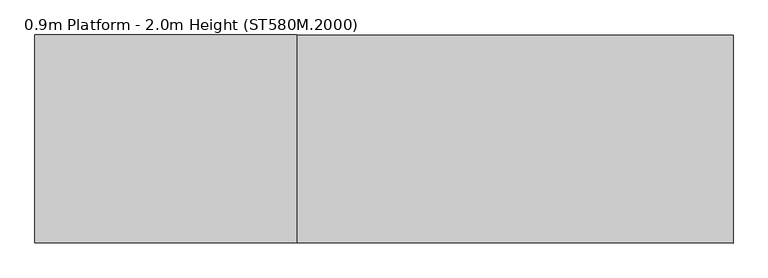
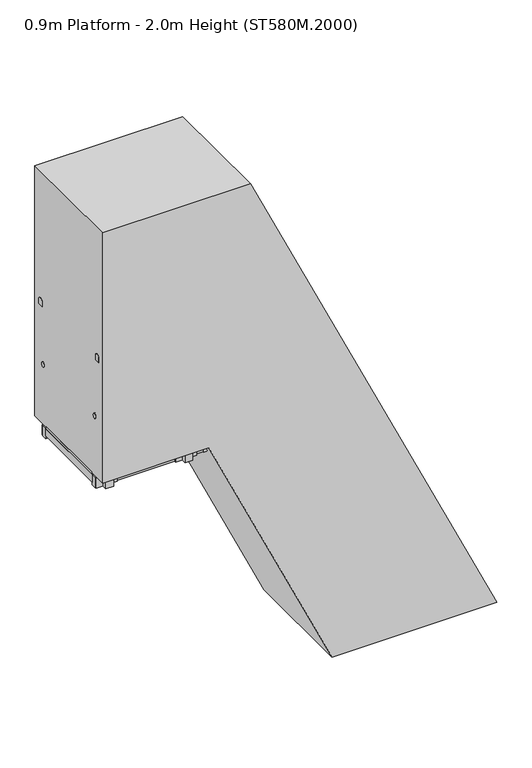
"""IFC4 building model written with IfcOpenShell, lengths in millimetres: proxy geometry, 0.9m Platform - 2.0m Height (ST580M.2000)."""

from ifc_helpers import new_model, si_unit, point, frame, frame_2d, origin, origin_with_axes, place, context, project, spatial, polyline, circle_curve, ellipse_curve, trimmed, segment, composite_curve, outline, extrude, source, transform, mapped, element, save
from ifc_brep_helpers import plane_surface, cylinder_surface, advanced_brep


def proxy_0_9m_platform_2_0m_height_st580m_2000_03915465(model_context):
    return source(origin(), model_context, "Body", "SolidModel", [
        extrude(outline(polyline([(1750.0, -287.4233008), (1670.0, -250.1186932), (1670.0, -139.7808961), (1750.0, -177.0855087), (1750.0, -287.4233008)])), frame((0.0, 298.5, 0.0), z_axis=(0.0, 1.0, 0.0), x_axis=(0.0, 0.0, 1.0)), (0.0, 0.0, 1.0), 6.0),
        extrude(outline(polyline([(1750.0, -287.4233008), (1670.0, -250.1186932), (1670.0, -139.7808961), (1750.0, -177.0855087), (1750.0, -287.4233008)])), frame((0.0, -304.5, 0.0), z_axis=(0.0, 1.0, 0.0), x_axis=(0.0, 0.0, 1.0)), (0.0, 0.0, 1.0), 6.0),
        extrude(outline(polyline([(1750.0, -280.2513445), (1712.0999991, -262.5782862), (1712.0999991, -260.3715304), (1747.0, -276.6456659), (1747.0, -177.8933416), (1712.0999991, -161.6192039), (1712.0999991, -159.4124481), (1750.0, -177.0855087), (1750.0, -197.5132499), (1749.2749538, -197.8513445), (1750.0, -198.189439), (1750.0, -218.1132499), (1749.2749538, -218.4513445), (1750.0, -218.789439), (1750.0, -238.7132499), (1749.2749538, -239.0513445), (1750.0, -239.389439), (1750.0, -259.3132499), (1749.2749538, -259.6513445), (1750.0, -259.989439), (1750.0, -280.2513445)])), frame((0.0, -298.5, 0.0), z_axis=(0.0, 1.0, 0.0), x_axis=(0.0, 0.0, 1.0)), (0.0, 0.0, 1.0), 597.0),
        extrude(outline(polyline([(1500.0, -170.8418133), (1420.0, -133.5372057), (1420.0, -23.1994087), (1500.0, -60.5040213), (1500.0, -170.8418133)])), frame((0.0, 298.5, 0.0), z_axis=(0.0, 1.0, 0.0), x_axis=(0.0, 0.0, 1.0)), (0.0, 0.0, 1.0), 6.0),
        extrude(outline(polyline([(1500.0, -170.8418133), (1420.0, -133.5372057), (1420.0, -23.1994087), (1500.0, -60.5040213), (1500.0, -170.8418133)])), frame((0.0, -304.5, 0.0), z_axis=(0.0, 1.0, 0.0), x_axis=(0.0, 0.0, 1.0)), (0.0, 0.0, 1.0), 6.0),
        extrude(outline(polyline([(1500.0, -163.669857), (1462.0999991, -145.9967988), (1462.0999991, -143.790043), (1497.0, -160.0641785), (1497.0, -61.3118542), (1462.0999991, -45.0377165), (1462.0999991, -42.8309607), (1500.0, -60.5040213), (1500.0, -80.9317625), (1499.2749538, -81.269857), (1500.0, -81.6079516), (1500.0, -101.5317625), (1499.2749538, -101.869857), (1500.0, -102.2079516), (1500.0, -122.1317625), (1499.2749538, -122.469857), (1500.0, -122.8079516), (1500.0, -142.7317625), (1499.2749538, -143.069857), (1500.0, -143.4079516), (1500.0, -163.669857)])), frame((0.0, -298.5, 0.0), z_axis=(0.0, 1.0, 0.0), x_axis=(0.0, 0.0, 1.0)), (0.0, 0.0, 1.0), 597.0),
        extrude(outline(polyline([(1250.0, -54.2603259), (1170.0, -16.9557183), (1170.0, 93.3820788), (1250.0, 56.0774661), (1250.0, -54.2603259)])), frame((0.0, 298.5, 0.0), z_axis=(0.0, 1.0, 0.0), x_axis=(0.0, 0.0, 1.0)), (0.0, 0.0, 1.0), 6.0),
        extrude(outline(polyline([(1250.0, -54.2603259), (1170.0, -16.9557183), (1170.0, 93.3820788), (1250.0, 56.0774661), (1250.0, -54.2603259)])), frame((0.0, -304.5, 0.0), z_axis=(0.0, 1.0, 0.0), x_axis=(0.0, 0.0, 1.0)), (0.0, 0.0, 1.0), 6.0),
        extrude(outline(polyline([(1250.0, -47.0883696), (1212.0999991, -29.4153114), (1212.0999991, -27.2085556), (1247.0, -43.482691), (1247.0, 55.2696333), (1212.0999991, 71.5437709), (1212.0999991, 73.7505268), (1250.0, 56.0774661), (1250.0, 35.649725), (1249.2749538, 35.3116304), (1250.0, 34.9735358), (1250.0, 15.049725), (1249.2749538, 14.7116304), (1250.0, 14.3735358), (1250.0, -5.550275), (1249.2749538, -5.8883696), (1250.0, -6.2264642), (1250.0, -26.150275), (1249.2749538, -26.4883696), (1250.0, -26.8264642), (1250.0, -47.0883696)])), frame((0.0, -298.5, 0.0), z_axis=(0.0, 1.0, 0.0), x_axis=(0.0, 0.0, 1.0)), (0.0, 0.0, 1.0), 597.0),
        extrude(outline(polyline([(1000.0, 62.3211615), (920.0, 99.6257691), (920.0, 209.9635662), (1000.0, 172.6589535), (1000.0, 62.3211615)])), frame((0.0, 298.5, 0.0), z_axis=(0.0, 1.0, 0.0), x_axis=(0.0, 0.0, 1.0)), (0.0, 0.0, 1.0), 6.0),
        extrude(outline(polyline([(1000.0, 62.3211615), (920.0, 99.6257691), (920.0, 209.9635662), (1000.0, 172.6589535), (1000.0, 62.3211615)])), frame((0.0, -304.5, 0.0), z_axis=(0.0, 1.0, 0.0), x_axis=(0.0, 0.0, 1.0)), (0.0, 0.0, 1.0), 6.0),
        extrude(outline(polyline([(1000.0, 69.4931178), (962.0999991, 87.1661761), (962.0999991, 89.3729319), (997.0, 73.0987964), (997.0, 171.8511207), (962.0999991, 188.1252584), (962.0999991, 190.3320142), (1000.0, 172.6589535), (1000.0, 152.2312124), (999.2749538, 151.8931178), (1000.0, 151.5550233), (1000.0, 131.6312124), (999.2749538, 131.2931178), (1000.0, 130.9550233), (1000.0, 111.0312124), (999.2749538, 110.6931178), (1000.0, 110.3550233), (1000.0, 90.4312124), (999.2749538, 90.0931178), (1000.0, 89.7550233), (1000.0, 69.4931178)])), frame((0.0, -298.5, 0.0), z_axis=(0.0, 1.0, 0.0), x_axis=(0.0, 0.0, 1.0)), (0.0, 0.0, 1.0), 597.0),
        extrude(outline(polyline([(750.0, 178.902649), (670.0, 216.2072566), (670.0, 326.5450536), (750.0, 289.240441), (750.0, 178.902649)])), frame((0.0, 298.5, 0.0), z_axis=(0.0, 1.0, 0.0), x_axis=(0.0, 0.0, 1.0)), (0.0, 0.0, 1.0), 6.0),
        extrude(outline(polyline([(750.0, 178.902649), (670.0, 216.2072566), (670.0, 326.5450536), (750.0, 289.240441), (750.0, 178.902649)])), frame((0.0, -304.5, 0.0), z_axis=(0.0, 1.0, 0.0), x_axis=(0.0, 0.0, 1.0)), (0.0, 0.0, 1.0), 6.0),
        extrude(outline(polyline([(750.0, 186.0746053), (712.0999991, 203.7476635), (712.0999991, 205.9544193), (747.0, 189.6802838), (747.0, 288.4326081), (712.0999991, 304.7067458), (712.0999991, 306.9135016), (750.0, 289.240441), (750.0, 268.8126998), (749.2749538, 268.4746053), (750.0, 268.1365107), (750.0, 248.2126998), (749.2749538, 247.8746053), (750.0, 247.5365107), (750.0, 227.6126998), (749.2749538, 227.2746053), (750.0, 226.9365107), (750.0, 207.0126998), (749.2749538, 206.6746053), (750.0, 206.3365107), (750.0, 186.0746053)])), frame((0.0, -298.5, 0.0), z_axis=(0.0, 1.0, 0.0), x_axis=(0.0, 0.0, 1.0)), (0.0, 0.0, 1.0), 597.0),
        extrude(outline(polyline([(500.0, 295.4841364), (420.0, 332.788744), (420.0, 443.1265411), (500.0, 405.8219284), (500.0, 295.4841364)])), frame((0.0, 298.5, 0.0), z_axis=(0.0, 1.0, 0.0), x_axis=(0.0, 0.0, 1.0)), (0.0, 0.0, 1.0), 6.0),
        extrude(outline(polyline([(500.0, 295.4841364), (420.0, 332.788744), (420.0, 443.1265411), (500.0, 405.8219284), (500.0, 295.4841364)])), frame((0.0, -304.5, 0.0), z_axis=(0.0, 1.0, 0.0), x_axis=(0.0, 0.0, 1.0)), (0.0, 0.0, 1.0), 6.0),
        extrude(outline(polyline([(500.0, 302.6560927), (462.0999991, 320.3291509), (462.0999991, 322.5359067), (497.0, 306.2617713), (497.0, 405.0140955), (462.0999991, 421.2882332), (462.0999991, 423.494989), (500.0, 405.8219284), (500.0, 385.3941873), (499.2749538, 385.0560927), (500.0, 384.7179981), (500.0, 364.7941873), (499.2749538, 364.4560927), (500.0, 364.1179981), (500.0, 344.1941873), (499.2749538, 343.8560927), (500.0, 343.5179981), (500.0, 323.5941873), (499.2749538, 323.2560927), (500.0, 322.9179981), (500.0, 302.6560927)])), frame((0.0, -298.5, 0.0), z_axis=(0.0, 1.0, 0.0), x_axis=(0.0, 0.0, 1.0)), (0.0, 0.0, 1.0), 597.0),
        extrude(outline(polyline([(-0.0541093, 0.0), (0.7582532, 5.9447512), (185.4590013, 5.9447512), (254.8144324, -3.5328109), (254.0020699, -9.4775622), (184.6466388, 0.0), (-0.0541093, 0.0)])), frame((330.049517, 375.0, 1079.9787499), z_axis=(-0.42263021225853353, 0.0, 0.9063022143227428), x_axis=(-0.8979568675708123, -0.13539374535780632, -0.41873857918801843)), (0.0, 0.0, 1.0), 80.0),
        extrude(outline(polyline([(-0.0541093, 0.0), (0.7582532, 5.9447512), (185.4590013, 5.9447512), (254.8144324, -3.5328109), (254.0020699, -9.4775622), (184.6466388, 0.0), (-0.0541093, 0.0)])), frame((-31.182055, 375.0, 1854.6156879), z_axis=(-0.42263021225853353, 0.0, 0.9063022143227428), x_axis=(-0.8979568675708123, -0.13539374535780632, -0.41873857918801843)), (0.0, 0.0, 1.0), 80.0),
        extrude(outline(polyline([(0.0, 32.0), (2.9999999, 32.0), (2.9999999, 0.0), (0.0, 0.0), (0.0, 32.0)])), frame((345.4959178, 388.0, 1054.0802317), z_axis=(-0.42263021225853353, 0.0, 0.9063022143227428), x_axis=(-0.9063022143227428, 0.0, -0.42263021225853353)), (0.0, 0.0, 1.0), 140.0),
        extrude(outline(polyline([(0.0, 32.0), (2.9999999, 32.0), (2.9999999, 0.0), (0.0, 0.0), (0.0, 32.0)])), frame((-15.7356542, 388.0, 1828.7171697), z_axis=(-0.42263021225853353, 0.0, 0.9063022143227428), x_axis=(-0.9063022143227428, 0.0, -0.42263021225853353)), (0.0, 0.0, 1.0), 140.0),
        extrude(outline(composite_curve([segment(trimmed(circle_curve(frame_2d((0.0, 14.1894039)), 22.4521533), [point((-17.4, 0.0))], [point((17.4, 0.0))], False, "CARTESIAN"), True, "CONTINUOUS"), segment(polyline([(17.4, 0.0), (-17.4, 0.0)]), True, "CONTINUOUS")], self_intersect=False)), frame((417.3430539, 372.0, 900.0088553), z_axis=(-0.42263021225853353, 0.0, 0.9063022143227428), x_axis=(0.0, -1.0, 0.0)), (0.0, 0.0, 1.0), 2184.7225481),
        extrude(outline(polyline([(-0.0541093, 0.0), (184.6466389, 0.0), (254.0020699, 9.4775622), (254.8144324, 3.5328109), (185.4590014, -5.9447512), (0.7582532, -5.9447512), (-0.0541093, 0.0)])), frame((330.0484158, -375.0, 1079.9811116), z_axis=(-0.42263021225853353, 0.0, 0.9063022143227428), x_axis=(-0.8979568675708123, 0.13539374535780632, -0.41873857918801843)), (0.0, 0.0, 1.0), 80.0),
        extrude(outline(polyline([(-0.0541093, 0.0), (184.6466388, 0.0), (254.0020699, 9.4775622), (254.8144324, 3.5328109), (185.4590013, -5.9447512), (0.7582532, -5.9447512), (-0.0541093, 0.0)])), frame((-31.1831562, -375.0, 1854.6180497), z_axis=(-0.42263021225853353, 0.0, 0.9063022143227428), x_axis=(-0.8979568675708123, 0.13539374535780632, -0.41873857918801843)), (0.0, 0.0, 1.0), 80.0),
        extrude(outline(polyline([(0.0, -32.0), (0.0, 0.0), (3.0, 0.0), (3.0, -32.0), (0.0, -32.0)])), frame((345.4948166, -388.0, 1054.0825935), z_axis=(-0.42263021225853353, 0.0, 0.9063022143227428), x_axis=(-0.9063022143227428, 0.0, -0.42263021225853353)), (0.0, 0.0, 1.0), 140.0),
        extrude(outline(polyline([(0.0, -32.0), (0.0, 0.0), (2.9999999, 0.0), (2.9999999, -32.0), (0.0, -32.0)])), frame((-15.7367554, -388.0, 1828.7195315), z_axis=(-0.42263021225853353, 0.0, 0.9063022143227428), x_axis=(-0.9063022143227428, 0.0, -0.42263021225853353)), (0.0, 0.0, 1.0), 140.0),
        extrude(outline(composite_curve([segment(polyline([(-17.4, 0.0), (17.4, 0.0)]), True, "CONTINUOUS"), segment(trimmed(circle_curve(frame_2d((0.0, -14.1894039)), 22.4521533), [point((17.4, 0.0))], [point((-17.4, 0.0))], False, "CARTESIAN"), True, "CONTINUOUS")], self_intersect=False)), frame((417.3419527, -372.0, 900.0112171), z_axis=(-0.42263021225853353, 0.0, 0.9063022143227428), x_axis=(0.0, 1.0, 0.0)), (0.0, 0.0, 1.0), 2184.7225481),
        extrude(outline(polyline([(2000.0, -404.0047882), (1920.0, -366.7001806), (1920.0, -256.3623835), (2000.0, -293.6669962), (2000.0, -404.0047882)])), frame((0.0, 298.5, 0.0), z_axis=(0.0, 1.0, 0.0), x_axis=(0.0, 0.0, 1.0)), (0.0, 0.0, 1.0), 6.0),
        extrude(outline(polyline([(2000.0, -404.0047882), (1920.0, -366.7001806), (1920.0, -256.3623835), (2000.0, -293.6669962), (2000.0, -404.0047882)])), frame((0.0, -304.5, 0.0), z_axis=(0.0, 1.0, 0.0), x_axis=(0.0, 0.0, 1.0)), (0.0, 0.0, 1.0), 6.0),
        extrude(outline(polyline([(2000.0, -396.8328319), (1962.0999991, -379.1597736), (1962.0999991, -376.9530179), (1997.0, -393.2271533), (1997.0, -294.474829), (1962.0999991, -278.2006914), (1962.0999991, -275.9939355), (2000.0, -293.6669962), (2000.0, -314.0947373), (1999.2749538, -314.4328319), (2000.0, -314.7709265), (2000.0, -334.6947373), (1999.2749538, -335.0328319), (2000.0, -335.3709265), (2000.0, -355.2947373), (1999.2749538, -355.6328319), (2000.0, -355.9709265), (2000.0, -375.8947373), (1999.2749538, -376.2328319), (2000.0, -376.5709265), (2000.0, -396.8328319)])), frame((0.0, -298.5, 0.0), z_axis=(0.0, 1.0, 0.0), x_axis=(0.0, 0.0, 1.0)), (0.0, 0.0, 1.0), 597.0),
        extrude(outline(polyline([(250.0, 412.0656238), (170.0, 449.3702314), (170.0, 559.7080285), (250.0, 522.4034158), (250.0, 412.0656238)])), frame((0.0, 298.5, 0.0), z_axis=(0.0, 1.0, 0.0), x_axis=(0.0, 0.0, 1.0)), (0.0, 0.0, 1.0), 6.0),
        extrude(outline(polyline([(250.0, 412.0656238), (170.0, 449.3702314), (170.0, 559.7080285), (250.0, 522.4034158), (250.0, 412.0656238)])), frame((0.0, -304.5, 0.0), z_axis=(0.0, 1.0, 0.0), x_axis=(0.0, 0.0, 1.0)), (0.0, 0.0, 1.0), 6.0),
        extrude(outline(polyline([(250.0, 419.2375801), (212.0999991, 436.9106384), (212.0999991, 439.1173941), (247.0, 422.8432587), (247.0, 521.595583), (212.0999991, 537.8697206), (212.0999991, 540.0764765), (250.0, 522.4034158), (250.0, 501.9756747), (249.2749538, 501.6375801), (250.0, 501.2994855), (250.0, 481.3756747), (249.2749538, 481.0375801), (250.0, 480.6994855), (250.0, 460.7756747), (249.2749538, 460.4375801), (250.0, 460.0994855), (250.0, 440.1756747), (249.2749538, 439.8375801), (250.0, 439.4994855), (250.0, 419.2375801)])), frame((0.0, -298.5, 0.0), z_axis=(0.0, 1.0, 0.0), x_axis=(0.0, 0.0, 1.0)), (0.0, 0.0, 1.0), 597.0),
        extrude(outline(polyline([(-396.8328319, -304.5), (-434.8328319, -304.5), (-434.8328319, 304.5), (-396.8328319, 304.5), (-396.8328319, -304.5)])), frame((0.0, 0.0, 1901.0), z_axis=(0.0, 0.0, 1.0), x_axis=(1.0, 0.0, 0.0)), (0.0, 0.0, 1.0), 80.0),
        extrude(outline(polyline([(-1256.8328319, -304.5), (-1294.8328319, -304.5), (-1294.8328319, 304.5), (-1256.8328319, 304.5), (-1256.8328319, -304.5)])), frame((0.0, 0.0, 1923.0), z_axis=(0.0, 0.0, 1.0), x_axis=(1.0, 0.0, 0.0)), (0.0, 0.0, 1.0), 58.0),
        extrude(outline(polyline([(-826.8328319, -304.5), (-864.8328319, -304.5), (-864.8328319, 304.5), (-826.8328319, 304.5), (-826.8328319, -304.5)])), frame((0.0, 0.0, 1923.0), z_axis=(0.0, 0.0, 1.0), x_axis=(1.0, 0.0, 0.0)), (0.0, 0.0, 1.0), 58.0),
        extrude(outline(composite_curve([segment(polyline([(353.0, 2478.0), (353.0, 2468.0)]), True, "CONTINUOUS"), segment(trimmed(circle_curve(frame_2d((338.0, 2468.0)), 15.0), [point((353.0, 2468.0))], [point((323.0, 2468.0))], False, "CARTESIAN"), True, "CONTINUOUS"), segment(polyline([(323.0, 2468.0), (323.0, 2478.0)]), True, "CONTINUOUS"), segment(trimmed(circle_curve(frame_2d((338.0, 2478.0)), 15.0), [point((323.0, 2478.0))], [point((353.0, 2478.0))], False, "CARTESIAN"), True, "CONTINUOUS")], self_intersect=False)), frame((-1296.8328319, 0.0, 0.0), z_axis=(1.0, 0.0, 0.0), x_axis=(0.0, 1.0, 0.0)), (0.0, 0.0, 1.0), 885.0),
        extrude(outline(composite_curve([segment(trimmed(circle_curve(frame_2d((-338.0, 2478.0)), 15.0), [point((-353.0, 2478.0))], [point((-323.0, 2478.0))], False, "CARTESIAN"), True, "CONTINUOUS"), segment(polyline([(-323.0, 2478.0), (-323.0, 2468.0)]), True, "CONTINUOUS"), segment(trimmed(circle_curve(frame_2d((-338.0, 2468.0)), 15.0), [point((-323.0, 2468.0))], [point((-353.0, 2468.0))], False, "CARTESIAN"), True, "CONTINUOUS"), segment(polyline([(-353.0, 2468.0), (-353.0, 2478.0)]), True, "CONTINUOUS")], self_intersect=False)), frame((-1296.8328319, 0.0, 0.0), z_axis=(1.0, 0.0, 0.0), x_axis=(0.0, 1.0, 0.0)), (0.0, 0.0, 1.0), 885.0),
        extrude(outline(polyline([(-692.8328319, 353.0), (-532.8328319, 353.0), (-532.8328319, 343.0), (-692.8328319, 343.0), (-692.8328319, 353.0)])), frame((0.0, 0.0, 1901.0), z_axis=(0.0, 0.0, 1.0), x_axis=(1.0, 0.0, 0.0)), (0.0, 0.0, 1.0), 80.0),
        extrude(outline(polyline([(-692.8328319, -343.0), (-532.8328319, -343.0), (-532.8328319, -353.0), (-692.8328319, -353.0), (-692.8328319, -343.0)])), frame((0.0, 0.0, 1901.0), z_axis=(0.0, 0.0, 1.0), x_axis=(1.0, 0.0, 0.0)), (0.0, 0.0, 1.0), 80.0),
        extrude(outline(polyline([(-583.8328319, 391.0), (-583.8328319, 353.0), (-641.8328319, 353.0), (-641.8328319, 391.0), (-583.8328319, 391.0)])), frame((0.0, 0.0, 1901.0), z_axis=(0.0, 0.0, 1.0), x_axis=(1.0, 0.0, 0.0)), (0.0, 0.0, 1.0), 1029.0),
        extrude(outline(polyline([(-583.8328319, -353.0), (-583.8328319, -391.0), (-641.8328319, -391.0), (-641.8328319, -353.0), (-583.8328319, -353.0)])), frame((0.0, 0.0, 1901.0), z_axis=(0.0, 0.0, 1.0), x_axis=(1.0, 0.0, 0.0)), (0.0, 0.0, 1.0), 1029.0),
        advanced_brep(
        [(-556.8328319, 372.0, 2942.0), (-556.8328319, 372.0, 2987.0), (-544.1016939, 372.0, 2942.0), (-515.4337404, 372.0, 2987.0), (-513.5569732, 372.0, 2876.4977609), (-472.773248, 372.0, 2895.5158512)],
        [
            (0, 1, circle_curve(frame((-556.8328319, 372.0, 2964.5), z_axis=(-1.0, 0.0, 0.0), x_axis=(0.0, 0.0, 1.0)), 22.5)),
            (1, 0, circle_curve(frame((-556.8328319, 372.0, 2964.5), z_axis=(-1.0, 0.0, 0.0), x_axis=(0.0, 0.0, 1.0)), 22.5)),
            (0, 2),
            (2, 3, ellipse_curve(frame((-529.7677171, 372.0, 2964.5), z_axis=(-0.8433932143583026, 0.0, 0.5372968322765083), x_axis=(-0.5372968322765082, 0.0, -0.8433932143583025)), 26.6779476, 22.5)),
            (3, 1),
            (3, 2, ellipse_curve(frame((-529.7677171, 372.0, 2964.5), z_axis=(-0.8433932143583026, 0.0, 0.5372968322765083), x_axis=(-0.5372968322765082, 0.0, -0.8433932143583025)), 26.6779476, 22.5)),
            (4, 5, circle_curve(frame((-493.1651106, 372.0, 2886.0068061), z_axis=(0.42262422805125954, 0.0, -0.9063050048764362), x_axis=(0.9063050048764362, 0.0, 0.42262422805125954)), 22.5)),
            (5, 4, circle_curve(frame((-493.1651106, 372.0, 2886.0068061), z_axis=(0.42262422805125954, 0.0, -0.9063050048764362), x_axis=(0.9063050048764362, 0.0, 0.42262422805125954)), 22.5)),
            (2, 4),
            (5, 3),
        ],
        [
            plane_surface(frame((-556.8328319, 0.0, 2987.0), z_axis=(-1.0, 0.0, 0.0), x_axis=(0.0, -1.0, 0.0))),
            cylinder_surface(frame((-556.8328319, 372.0, 2964.5), z_axis=(-1.0, 0.0, 0.0), x_axis=(0.0, 0.0, 1.0)), 22.5),
            plane_surface(frame((-472.773248, 0.0, 2895.5158512), z_axis=(0.42262422805125954, 0.0, -0.9063050048764362), x_axis=(0.0, -1.0, 0.0))),
            cylinder_surface(frame((-535.825603, 372.0, 2977.4909549), z_axis=(-0.42262422805125954, 0.0, 0.9063050048764362), x_axis=(0.9063050048764362, 0.0, 0.42262422805125954)), 22.5),
        ],
        [
            (0, [[1, 2]]),
            (1, [[-1, 3, 4, 5]]),
            (1, [[-2, -5, 6, -3]]),
            (2, [[7, 8]]),
            (3, [[-4, 9, -8, 10]]),
            (3, [[-6, -10, -7, -9]]),
        ],
    ),
        advanced_brep(
        [(-556.8328319, -372.0, 2942.0), (-556.8328319, -372.0, 2987.0), (-544.1016939, -372.0, 2942.0), (-515.4337404, -372.0, 2987.0), (-513.5569732, -372.0, 2876.4977609), (-472.773248, -372.0, 2895.5158512)],
        [
            (0, 1, circle_curve(frame((-556.8328319, -372.0, 2964.5), z_axis=(-1.0, 0.0, 0.0), x_axis=(0.0, 0.0, 1.0)), 22.5)),
            (1, 0, circle_curve(frame((-556.8328319, -372.0, 2964.5), z_axis=(-1.0, 0.0, 0.0), x_axis=(0.0, 0.0, 1.0)), 22.5)),
            (0, 2),
            (2, 3, ellipse_curve(frame((-529.7677171, -372.0, 2964.5), z_axis=(-0.8433932143583026, 0.0, 0.5372968322765083), x_axis=(-0.5372968322765082, 0.0, -0.8433932143583025)), 26.6779476, 22.5)),
            (3, 1),
            (3, 2, ellipse_curve(frame((-529.7677171, -372.0, 2964.5), z_axis=(-0.8433932143583026, 0.0, 0.5372968322765083), x_axis=(-0.5372968322765082, 0.0, -0.8433932143583025)), 26.6779476, 22.5)),
            (4, 5, circle_curve(frame((-493.1651106, -372.0, 2886.0068061), z_axis=(0.42262422805125954, 0.0, -0.9063050048764362), x_axis=(0.9063050048764362, 0.0, 0.42262422805125954)), 22.5)),
            (5, 4, circle_curve(frame((-493.1651106, -372.0, 2886.0068061), z_axis=(0.42262422805125954, 0.0, -0.9063050048764362), x_axis=(0.9063050048764362, 0.0, 0.42262422805125954)), 22.5)),
            (2, 4),
            (5, 3),
        ],
        [
            plane_surface(frame((-556.8328319, 0.0, 2987.0), z_axis=(-1.0, 0.0, 0.0), x_axis=(0.0, -1.0, 0.0))),
            cylinder_surface(frame((-556.8328319, -372.0, 2964.5), z_axis=(-1.0, 0.0, 0.0), x_axis=(0.0, 0.0, 1.0)), 22.5),
            plane_surface(frame((-472.773248, 0.0, 2895.5158512), z_axis=(0.42262422805125954, 0.0, -0.9063050048764362), x_axis=(0.0, -1.0, 0.0))),
            cylinder_surface(frame((-535.825603, -372.0, 2977.4909549), z_axis=(-0.42262422805125954, 0.0, 0.9063050048764362), x_axis=(0.9063050048764362, 0.0, 0.42262422805125954)), 22.5),
        ],
        [
            (0, [[1, 2]]),
            (1, [[-1, 3, 4, 5]]),
            (1, [[-2, -5, 6, -3]]),
            (2, [[7, 8]]),
            (3, [[-4, 9, -8, 10]]),
            (3, [[-6, -10, -7, -9]]),
        ],
    ),
        extrude(outline(polyline([(-1258.8328319, -304.5), (-1296.8328319, -304.5), (-1296.8328319, 304.5), (-1258.8328319, 304.5), (-1258.8328319, -304.5)])), frame((0.0, 0.0, 1923.0), z_axis=(0.0, 0.0, 1.0), x_axis=(1.0, 0.0, 0.0)), (0.0, 0.0, 1.0), 58.0),
        extrude(outline(composite_curve([segment(polyline([(349.5, 2930.0), (349.5, 2964.5)]), True, "CONTINUOUS"), segment(trimmed(circle_curve(frame_2d((372.0, 2964.5)), 22.5), [point((349.5, 2964.5))], [point((394.5, 2964.5))], False, "CARTESIAN"), True, "CONTINUOUS"), segment(polyline([(394.5, 2964.5), (394.5, 2930.0), (349.5, 2930.0)]), True, "CONTINUOUS")], self_intersect=False)), frame((-1296.8328319, 0.0, 0.0), z_axis=(1.0, 0.0, 0.0), x_axis=(0.0, 1.0, 0.0)), (0.0, 0.0, 1.0), 740.0),
        extrude(outline(composite_curve([segment(polyline([(-349.5, 2930.0), (-394.5, 2930.0), (-394.5, 2964.5)]), True, "CONTINUOUS"), segment(trimmed(circle_curve(frame_2d((-372.0, 2964.5)), 22.5), [point((-394.5, 2964.5))], [point((-349.5, 2964.5))], False, "CARTESIAN"), True, "CONTINUOUS"), segment(polyline([(-349.5, 2964.5), (-349.5, 2930.0)]), True, "CONTINUOUS")], self_intersect=False)), frame((-1296.8328319, 0.0, 0.0), z_axis=(1.0, 0.0, 0.0), x_axis=(0.0, 1.0, 0.0)), (0.0, 0.0, 1.0), 740.0),
        extrude(outline(polyline([(-1132.8328319, 353.0), (-1132.8328319, 343.0), (-1292.8328319, 343.0), (-1292.8328319, 353.0), (-1132.8328319, 353.0)])), frame((0.0, 0.0, 1901.0), z_axis=(0.0, 0.0, 1.0), x_axis=(1.0, 0.0, 0.0)), (0.0, 0.0, 1.0), 80.0),
        extrude(outline(polyline([(-1132.8328319, -343.0), (-1132.8328319, -353.0), (-1292.8328319, -353.0), (-1292.8328319, -343.0), (-1132.8328319, -343.0)])), frame((0.0, 0.0, 1901.0), z_axis=(0.0, 0.0, 1.0), x_axis=(1.0, 0.0, 0.0)), (0.0, 0.0, 1.0), 80.0),
        extrude(outline(polyline([(-1183.8328319, 391.0), (-1183.8328319, 353.0), (-1241.8328319, 353.0), (-1241.8328319, 391.0), (-1183.8328319, 391.0)])), frame((0.0, 0.0, 1901.0), z_axis=(0.0, 0.0, 1.0), x_axis=(1.0, 0.0, 0.0)), (0.0, 0.0, 1.0), 1029.0),
        extrude(outline(polyline([(-1183.8328319, -353.0), (-1183.8328319, -391.0), (-1241.8328319, -391.0), (-1241.8328319, -353.0), (-1183.8328319, -353.0)])), frame((0.0, 0.0, 1901.0), z_axis=(0.0, 0.0, 1.0), x_axis=(1.0, 0.0, 0.0)), (0.0, 0.0, 1.0), 1029.0),
        extrude(outline(polyline([(-396.8328319, 343.0), (-396.8328319, 304.5), (-1296.8328319, 304.5), (-1296.8328319, 343.0), (-396.8328319, 343.0)])), frame((0.0, 0.0, 1901.0), z_axis=(0.0, 0.0, 1.0), x_axis=(1.0, 0.0, 0.0)), (0.0, 0.0, 1.0), 80.0),
        extrude(outline(polyline([(-396.8328319, -304.5), (-396.8328319, -343.0), (-1296.8328319, -343.0), (-1296.8328319, -304.5), (-396.8328319, -304.5)])), frame((0.0, 0.0, 1901.0), z_axis=(0.0, 0.0, 1.0), x_axis=(1.0, 0.0, 0.0)), (0.0, 0.0, 1.0), 80.0),
        extrude(outline(polyline([(-399.8328319, 297.5), (-399.8328319, -297.5), (-1293.8328319, -297.5), (-1293.8328319, 297.5), (-399.8328319, 297.5)])), frame((0.0, 0.0, 1984.0), z_axis=(0.0, 0.0, 1.0), x_axis=(1.0, 0.0, 0.0)), (0.0, 0.0, 1.0), 13.0),
        extrude(outline(polyline([(2000.0, -414.8328319), (1997.0, -414.8328319), (1997.0, -399.8328319), (1984.0, -399.8328319), (1984.0, -414.8328319), (1981.0, -414.8328319), (1981.0, -396.8328319), (2000.0, -396.8328319), (2000.0, -414.8328319)])), frame((0.0, -297.5, 0.0), z_axis=(0.0, 1.0, 0.0), x_axis=(0.0, 0.0, 1.0)), (0.0, 0.0, 1.0), 595.0),
        extrude(outline(polyline([(2000.0, -1278.8328319), (2000.0, -1296.8328319), (1981.0, -1296.8328319), (1981.0, -1278.8328319), (1984.0, -1278.8328319), (1984.0, -1293.8328319), (1997.0, -1293.8328319), (1997.0, -1278.8328319), (2000.0, -1278.8328319)])), frame((0.0, -297.5, 0.0), z_axis=(0.0, 1.0, 0.0), x_axis=(0.0, 0.0, 1.0)), (0.0, 0.0, 1.0), 595.0),
        extrude(outline(polyline([(1981.0, -287.140843), (1981.0, -476.8328319), (1901.0, -476.8328319), (1901.0, -249.8362303), (1981.0, -287.140843)])), frame((0.0, 344.0, 0.0), z_axis=(0.0, 1.0, 0.0), x_axis=(0.0, 0.0, 1.0)), (0.0, 0.0, 1.0), 6.0),
        extrude(outline(polyline([(1981.0, -284.7751404), (1981.0, -476.8328319), (1901.0, -476.8328319), (1901.0, -247.4705278), (1981.0, -284.7751404)])), frame((0.0, -350.0, 0.0), z_axis=(0.0, 1.0, 0.0), x_axis=(0.0, 0.0, 1.0)), (0.0, 0.0, 1.0), 6.0),
        extrude(outline(polyline([(-304.5, 80.0), (-304.5, 0.0), (-343.0, 0.0), (-343.0, 80.0), (-304.5, 80.0)])), frame((547.9122509, 0.0, 6.0), z_axis=(-0.42261826174069744, 0.0, 0.9063077870366509), x_axis=(0.0, -1.0, 0.0)), (0.0, 0.0, 1.0), 2200.1355704),
        extrude(outline(polyline([(343.0, 80.0), (343.0, 0.0), (304.5, 0.0), (304.5, 80.0), (343.0, 80.0)])), frame((547.9122509, 0.0, 6.0), z_axis=(-0.42261826174069744, 0.0, 0.9063077870366509), x_axis=(0.0, -1.0, 0.0)), (0.0, 0.0, 1.0), 2200.1355704),
        extrude(outline(polyline([(141.9461681, 572.7897452), (108.1367071, 500.2851222), (6.0, 547.9122509), (6.0, 636.1824844), (141.9461681, 572.7897452)])), frame((0.0, 344.0, 0.0), z_axis=(0.0, 1.0, 0.0), x_axis=(0.0, 0.0, 1.0)), (0.0, 0.0, 1.0), 6.0),
        extrude(outline(polyline([(141.9461681, 572.7897452), (108.1367071, 500.2851222), (6.0, 547.9122509), (6.0, 636.1824844), (141.9461681, 572.7897452)])), frame((0.0, -350.0, 0.0), z_axis=(0.0, 1.0, 0.0), x_axis=(0.0, 0.0, 1.0)), (0.0, 0.0, 1.0), 6.0),
        extrude(outline(polyline([(642.0824844, 358.0), (642.0824844, -358.0), (542.0824844, -358.0), (542.0824844, 358.0), (642.0824844, 358.0)])), origin_with_axes(), (0.0, 0.0, 1.0), 6.0),
        extrude(outline(polyline([(2000.0, -493.6660078), (0.0, 438.9814151), (0.0, 1687.1964377), (4000.0, -178.098408), (4000.0, -1296.8328319), (2000.0, -1296.8328319), (2000.0, -493.6660078)])), frame((0.0, -444.5, 0.0), z_axis=(0.0, 1.0, 0.0), x_axis=(0.0, 0.0, 1.0)), (0.0, 0.0, 1.0), 889.0),
    ])


if __name__ == "__main__":
    model = new_model("IFC4")
    model_context = context("Model", 3, world=origin())
    ifc_project = project(units=[si_unit("LENGTHUNIT", "METRE", prefix="MILLI")], contexts=[model_context])
    site = spatial("IfcSite", under=ifc_project)
    building = spatial("IfcBuilding", under=site)
    placement = place(None, origin())
    proxy_0_9m_platform_2_0m_height_st580m_2000_shape = proxy_0_9m_platform_2_0m_height_st580m_2000_03915465(model_context)
    element("IfcBuildingElementProxy", 1, Name="0.9m Platform - 2.0m Height (ST580M.2000)", ObjectType="0.9m Platform - 2.0m Height (ST580M.2000)", at=placement, inside=building, context=model_context, shape_type="MappedRepresentation", body=[
        mapped(proxy_0_9m_platform_2_0m_height_st580m_2000_shape, transform((0.0, 0.0, 0.0), x_axis=(1.0, 0.0, 0.0), y_axis=(0.0, 1.0, 0.0), z_axis=(0.0, 0.0, 1.0))),
    ])
    save(model, "model.ifc")
